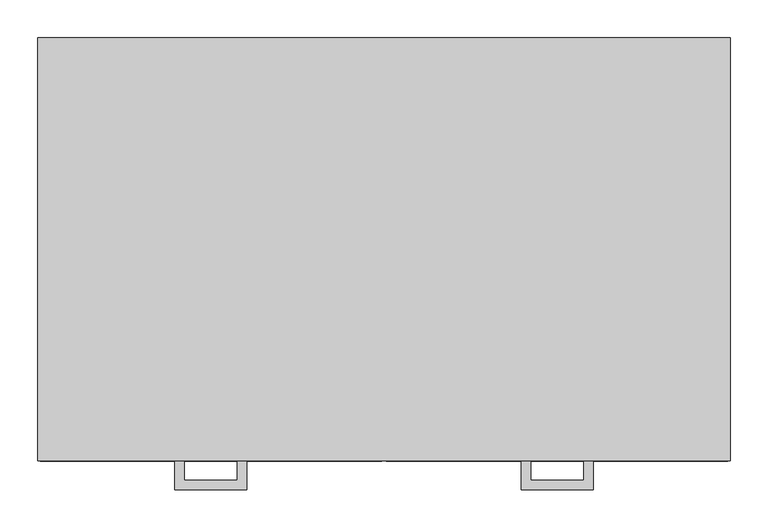
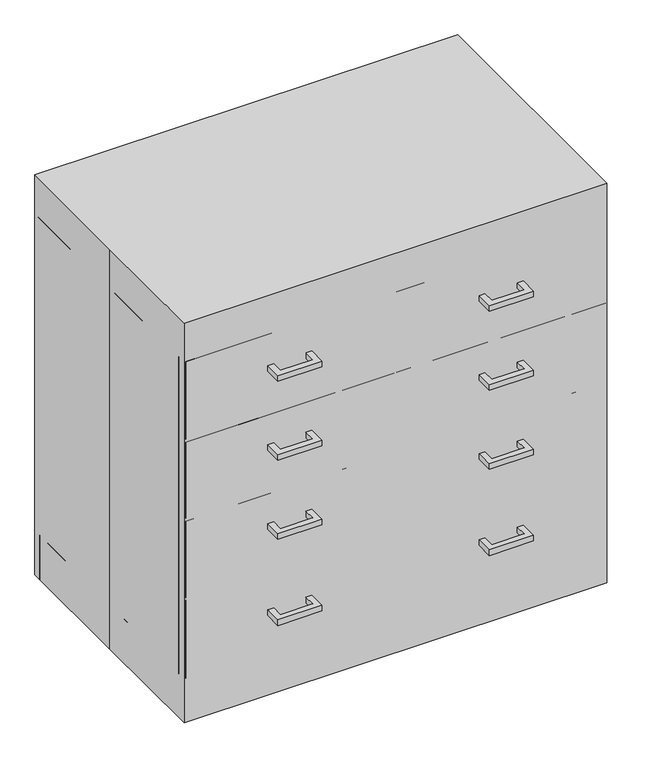
"""IFC4 building model written with IfcOpenShell, lengths in millimetres: proxy geometry."""

from ifc_helpers import new_model, si_unit, frame, origin, origin_with_axes, place, context, project, spatial, polyline, outline, extrude, source, transform, mapped, element, save


def specialty_equipment_4d705ede(model_context):
    return source(origin(), model_context, "Body", "SweptSolid", [
        extrude(outline(polyline([(-180.975, -317.5), (-276.225, -317.5), (-276.225, -279.4), (-263.5409299, -279.4), (-263.5409299, -304.8159299), (-193.6590701, -304.8159299), (-193.6590701, -279.4), (-180.975, -279.4), (-180.975, -317.5)])), frame((0.0, 0.0, 379.4125), z_axis=(0.0, 0.0, 1.0), x_axis=(1.0, 0.0, 0.0)), (0.0, 0.0, 1.0), 12.7),
        extrude(outline(polyline([(-180.975, -317.5), (-276.225, -317.5), (-276.225, -279.4), (-263.5409299, -279.4), (-263.5409299, -304.8159299), (-193.6590701, -304.8159299), (-193.6590701, -279.4), (-180.975, -279.4), (-180.975, -317.5)])), frame((0.0, 0.0, 560.3793692), z_axis=(0.0, 0.0, 1.0), x_axis=(1.0, 0.0, 0.0)), (0.0, 0.0, 1.0), 12.7),
        extrude(outline(polyline([(-180.975, -317.5), (-276.225, -317.5), (-276.225, -279.4), (-263.5409299, -279.4), (-263.5409299, -304.8159299), (-193.6590701, -304.8159299), (-193.6590701, -279.4), (-180.975, -279.4), (-180.975, -317.5)])), frame((0.0, 0.0, 182.5787617), z_axis=(0.0, 0.0, 1.0), x_axis=(1.0, 0.0, 0.0)), (0.0, 0.0, 1.0), 12.7),
        extrude(outline(polyline([(-180.975, -317.5), (-276.225, -317.5), (-276.225, -279.4), (-263.5409299, -279.4), (-263.5409299, -304.8159299), (-193.6590701, -304.8159299), (-193.6590701, -279.4), (-180.975, -279.4), (-180.975, -317.5)])), frame((0.0, 0.0, 741.3462383), z_axis=(0.0, 0.0, 1.0), x_axis=(1.0, 0.0, 0.0)), (0.0, 0.0, 1.0), 12.7),
        extrude(outline(polyline([(180.975, -317.5), (180.975, -279.4), (193.6590701, -279.4), (193.6590701, -304.8159299), (263.5409299, -304.8159299), (263.5409299, -279.4), (276.225, -279.4), (276.225, -317.5), (180.975, -317.5)])), frame((0.0, 0.0, 379.4125), z_axis=(0.0, 0.0, 1.0), x_axis=(1.0, 0.0, 0.0)), (0.0, 0.0, 1.0), 12.7),
        extrude(outline(polyline([(180.975, -317.5), (180.975, -279.4), (193.6590701, -279.4), (193.6590701, -304.8159299), (263.5409299, -304.8159299), (263.5409299, -279.4), (276.225, -279.4), (276.225, -317.5), (180.975, -317.5)])), frame((0.0, 0.0, 560.3793692), z_axis=(0.0, 0.0, 1.0), x_axis=(1.0, 0.0, 0.0)), (0.0, 0.0, 1.0), 12.7),
        extrude(outline(polyline([(180.975, -317.5), (180.975, -279.4), (193.6590701, -279.4), (193.6590701, -304.8159299), (263.5409299, -304.8159299), (263.5409299, -279.4), (276.225, -279.4), (276.225, -317.5), (180.975, -317.5)])), frame((0.0, 0.0, 182.5787617), z_axis=(0.0, 0.0, 1.0), x_axis=(1.0, 0.0, 0.0)), (0.0, 0.0, 1.0), 12.7),
        extrude(outline(polyline([(180.975, -317.5), (180.975, -279.4), (193.6590701, -279.4), (193.6590701, -304.8159299), (263.5409299, -304.8159299), (263.5409299, -279.4), (276.225, -279.4), (276.225, -317.5), (180.975, -317.5)])), frame((0.0, 0.0, 741.3462383), z_axis=(0.0, 0.0, 1.0), x_axis=(1.0, 0.0, 0.0)), (0.0, 0.0, 1.0), 12.7),
        extrude(outline(polyline([(-457.2, 279.4), (457.2, 279.4), (457.2, -279.4), (-457.2, -279.4), (-457.2, 0.0), (-457.2, 279.4)])), origin_with_axes(), (0.0, 0.0, 1.0), 914.4),
        extrude(outline(polyline([(-3.175, -279.4), (-454.025, -279.4), (-454.025, -260.35), (-3.175, -260.35), (-3.175, -279.4)])), frame((0.0, 0.0, 285.7418692), z_axis=(0.0, 0.0, 1.0), x_axis=(1.0, 0.0, 0.0)), (0.0, 0.0, 1.0), 174.6168692),
        extrude(outline(polyline([(-3.175, -279.4), (-454.025, -279.4), (-454.025, -260.35), (-3.175, -260.35), (-3.175, -279.4)])), frame((0.0, 0.0, 466.7087383), z_axis=(0.0, 0.0, 1.0), x_axis=(1.0, 0.0, 0.0)), (0.0, 0.0, 1.0), 174.6168692),
        extrude(outline(polyline([(-3.175, -279.4), (-454.025, -279.4), (-454.025, -260.35), (-3.175, -260.35), (-3.175, -279.4)])), frame((0.0, 0.0, 101.6), z_axis=(0.0, 0.0, 1.0), x_axis=(1.0, 0.0, 0.0)), (0.0, 0.0, 1.0), 177.7918692),
        extrude(outline(polyline([(-438.15, 279.4), (-438.15, -260.35), (-457.2, -260.35), (-457.2, 279.4), (-438.15, 279.4)])), frame((0.0, 0.0, 101.6), z_axis=(0.0, 0.0, 1.0), x_axis=(1.0, 0.0, 0.0)), (0.0, 0.0, 1.0), 723.8674767),
        extrude(outline(polyline([(-3.175, -279.4), (-454.025, -279.4), (-454.025, -260.35), (-3.175, -260.35), (-3.175, -279.4)])), frame((0.0, 0.0, 647.6756075), z_axis=(0.0, 0.0, 1.0), x_axis=(1.0, 0.0, 0.0)), (0.0, 0.0, 1.0), 177.7918692),
        extrude(outline(polyline([(454.025, -279.4), (3.175, -279.4), (3.175, -260.35), (454.025, -260.35), (454.025, -279.4)])), frame((0.0, 0.0, 285.7418692), z_axis=(0.0, 0.0, 1.0), x_axis=(1.0, 0.0, 0.0)), (0.0, 0.0, 1.0), 174.6168692),
        extrude(outline(polyline([(454.025, -279.4), (3.175, -279.4), (3.175, -260.35), (454.025, -260.35), (454.025, -279.4)])), frame((0.0, 0.0, 466.7087383), z_axis=(0.0, 0.0, 1.0), x_axis=(1.0, 0.0, 0.0)), (0.0, 0.0, 1.0), 174.6168692),
        extrude(outline(polyline([(454.025, -279.4), (3.175, -279.4), (3.175, -260.35), (454.025, -260.35), (454.025, -279.4)])), frame((0.0, 0.0, 101.6), z_axis=(0.0, 0.0, 1.0), x_axis=(1.0, 0.0, 0.0)), (0.0, 0.0, 1.0), 177.7918692),
        extrude(outline(polyline([(-457.2, -184.15), (-457.2, 279.4), (-438.15, 279.4), (-438.15, -184.15), (-457.2, -184.15)])), origin_with_axes(), (0.0, 0.0, 1.0), 101.6),
        extrude(outline(polyline([(438.15, -184.15), (438.15, 279.4), (457.2, 279.4), (457.2, -184.15), (438.15, -184.15)])), origin_with_axes(), (0.0, 0.0, 1.0), 101.6),
        extrude(outline(polyline([(438.15, -260.35), (438.15, 279.4), (457.2, 279.4), (457.2, -260.35), (438.15, -260.35)])), frame((0.0, 0.0, 101.6), z_axis=(0.0, 0.0, 1.0), x_axis=(1.0, 0.0, 0.0)), (0.0, 0.0, 1.0), 723.8674767),
        extrude(outline(polyline([(-457.2, -260.35), (-457.2, 279.4), (-438.15, 279.4), (-438.15, -260.35), (-457.2, -260.35)])), frame((0.0, 0.0, 101.6), z_axis=(0.0, 0.0, 1.0), x_axis=(1.0, 0.0, 0.0)), (0.0, 0.0, 1.0), 723.8674767),
        extrude(outline(polyline([(454.025, -279.4), (3.175, -279.4), (3.175, -260.35), (454.025, -260.35), (454.025, -279.4)])), frame((0.0, 0.0, 647.6756075), z_axis=(0.0, 0.0, 1.0), x_axis=(1.0, 0.0, 0.0)), (0.0, 0.0, 1.0), 177.7918692),
        extrude(outline(polyline([(457.2, -203.2), (-457.2, -203.2), (-457.2, -184.15), (457.2, -184.15), (457.2, -203.2)])), origin_with_axes(), (0.0, 0.0, 1.0), 101.6),
        extrude(outline(polyline([(457.2, 260.35), (-457.2, 260.35), (-457.2, 279.4), (457.2, 279.4), (457.2, 260.35)])), origin_with_axes(), (0.0, 0.0, 1.0), 101.6),
        extrude(outline(polyline([(438.15, 260.35), (438.15, -260.35), (-438.15, -260.35), (-438.15, 260.35), (438.15, 260.35)])), frame((0.0, 0.0, 101.6), z_axis=(0.0, 0.0, 1.0), x_axis=(1.0, 0.0, 0.0)), (0.0, 0.0, 1.0), 19.1166954),
        extrude(outline(polyline([(438.15, 260.35), (-438.15, 260.35), (-438.15, 279.4), (438.15, 279.4), (438.15, 260.35)])), frame((0.0, 0.0, 101.6), z_axis=(0.0, 0.0, 1.0), x_axis=(1.0, 0.0, 0.0)), (0.0, 0.0, 1.0), 704.8174767),
    ])


if __name__ == "__main__":
    model = new_model("IFC4")
    model_context = context("Model", 3, world=origin())
    ifc_project = project(units=[si_unit("LENGTHUNIT", "METRE", prefix="MILLI")], contexts=[model_context])
    site = spatial("IfcSite", under=ifc_project)
    building = spatial("IfcBuilding", under=site)
    placement = place(None, origin())
    specialty_equipment_shape = specialty_equipment_4d705ede(model_context)
    element("IfcBuildingElementProxy", 1, Name="Specialty Equipment", at=placement, inside=building, context=model_context, shape_type="MappedRepresentation", body=[
        mapped(specialty_equipment_shape, transform((0.0, 0.0, 0.0), x_axis=(1.0, 0.0, 0.0), y_axis=(0.0, 1.0, 0.0), z_axis=(0.0, 0.0, 1.0))),
    ])
    save(model, "model.ifc")
